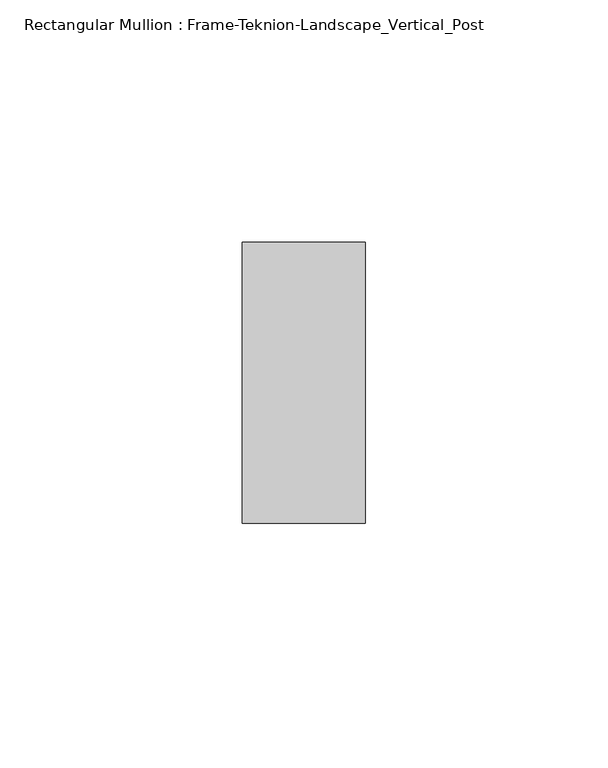
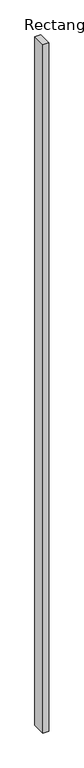
"""IFC4 building model written with IfcOpenShell, lengths in millimetres: member geometry, Rectangular Mullion : Frame-Teknion-Landscape_Vertical_Post."""

from ifc_helpers import new_model, si_unit, frame, origin, place, context, project, spatial, polyline, outline, extrude, source, transform, mapped, element, save


def rectangular_mullion_frame_teknion_landscape_vertical_post_c0c01d38(model_context):
    return source(origin(), model_context, "Body", "SweptSolid", [
        extrude(outline(polyline([(12.7, 28.971875), (12.7, -28.971875), (-12.7, -28.971875), (-12.7, 28.971875), (12.7, 28.971875)])), frame((0.0, 0.0, -3048.0), z_axis=(0.0, 0.0, 1.0), x_axis=(1.0, 0.0, 0.0)), (0.0, 0.0, 1.0), 3048.0),
    ])


if __name__ == "__main__":
    model = new_model("IFC4")
    model_context = context("Model", 3, world=origin())
    ifc_project = project(units=[si_unit("LENGTHUNIT", "METRE", prefix="MILLI")], contexts=[model_context])
    site = spatial("IfcSite", under=ifc_project)
    building = spatial("IfcBuilding", under=site)
    placement = place(None, origin())
    rectangular_mullion_frame_teknion_landscape_vertical_post_shape = rectangular_mullion_frame_teknion_landscape_vertical_post_c0c01d38(model_context)
    element("IfcMember", 1, ObjectType="Rectangular Mullion : Frame-Teknion-Landscape_Vertical_Post", at=placement, inside=building, context=model_context, shape_type="MappedRepresentation", body=[
        mapped(rectangular_mullion_frame_teknion_landscape_vertical_post_shape, transform((0.0, 0.0, 0.0), x_axis=(1.0, 0.0, 0.0), y_axis=(0.0, 1.0, 0.0), z_axis=(0.0, 0.0, 1.0))),
    ])
    save(model, "model.ifc")
